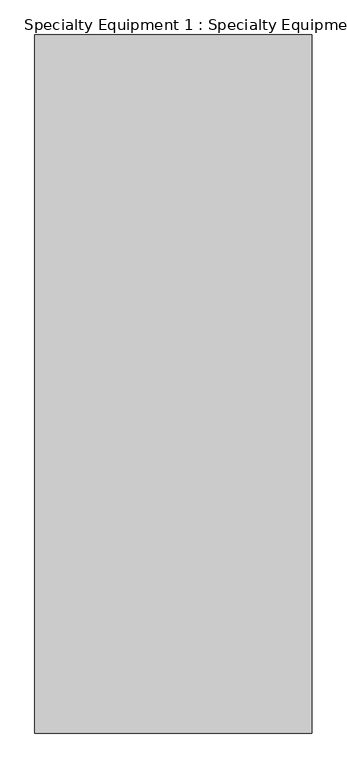
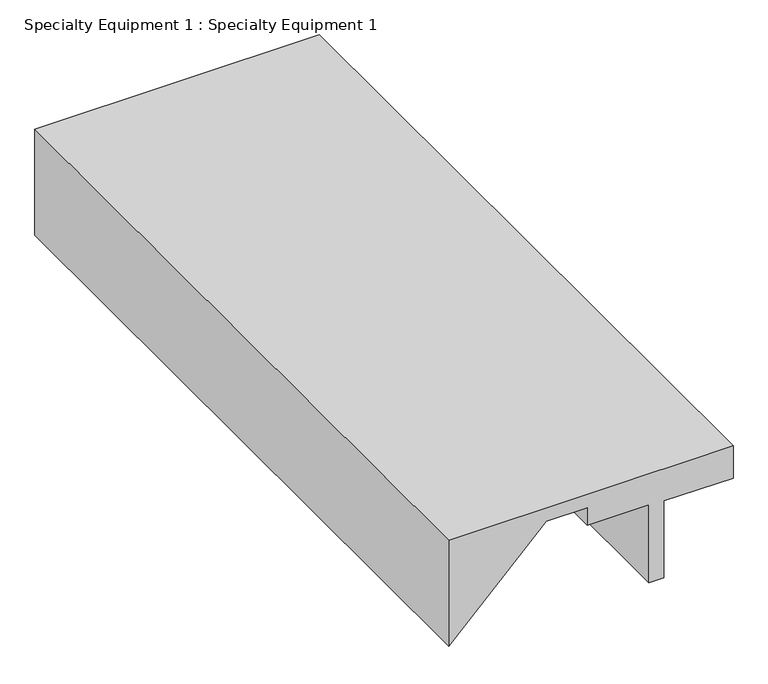
"""IFC4 building model written with IfcOpenShell, lengths in millimetres: proxy geometry, Specialty Equipment 1 : Specialty Equipment 1."""

from ifc_helpers import new_model, si_unit, frame, origin, place, context, project, spatial, polyline, outline, extrude, source, transform, mapped, element, save


def specialty_equipment_1_specialty_equipment_1_044bce4a(model_context):
    return source(origin(), model_context, "Body", "SweptSolid", [
        extrude(outline(polyline([(-4000.5, -22707.5749919), (-4000.5, -24315.4375594), (-4634.6186972, -24315.4375594), (-4081.2741136, -23762.0929758), (-4081.2741136, -23532.8712129), (-4185.0466546, -23532.8712129), (-4185.0466546, -23183.8249919), (-4650.4936972, -23183.8249919), (-4650.4936972, -23098.0999919), (-4193.2936972, -23098.0999919), (-4193.2936972, -22707.5749919), (-4000.5, -22707.5749919)])), frame((0.0, 971.6889275, 0.0), z_axis=(0.0, 1.0, 0.0), x_axis=(0.0, 0.0, 1.0)), (0.0, 0.0, 1.0), 4047.5093574),
    ])


if __name__ == "__main__":
    model = new_model("IFC4")
    model_context = context("Model", 3, world=origin())
    ifc_project = project(units=[si_unit("LENGTHUNIT", "METRE", prefix="MILLI")], contexts=[model_context])
    site = spatial("IfcSite", under=ifc_project)
    building = spatial("IfcBuilding", under=site)
    placement = place(None, origin())
    specialty_equipment_1_specialty_equipment_1_shape = specialty_equipment_1_specialty_equipment_1_044bce4a(model_context)
    element("IfcBuildingElementProxy", 1, Name="Specialty Equipment 1 : Specialty Equipment 1", ObjectType="Specialty Equipment 1 : Specialty Equipment 1", at=placement, inside=building, context=model_context, shape_type="MappedRepresentation", body=[
        mapped(specialty_equipment_1_specialty_equipment_1_shape, transform((0.0, 0.0, 0.0), x_axis=(1.0, 0.0, 0.0), y_axis=(0.0, 1.0, 0.0), z_axis=(0.0, 0.0, 1.0))),
    ])
    save(model, "model.ifc")
